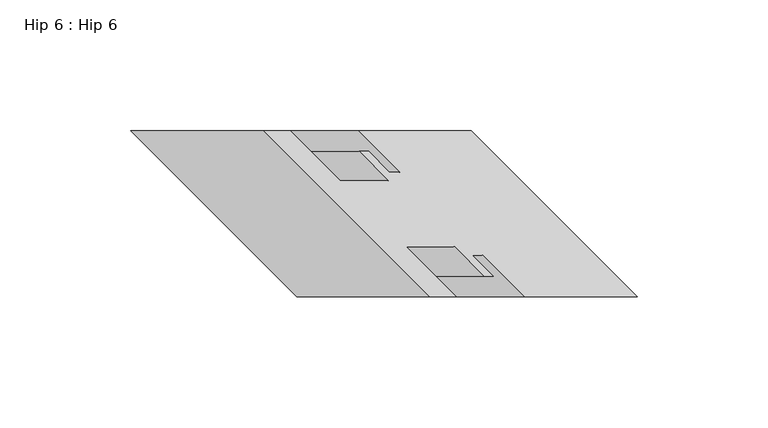
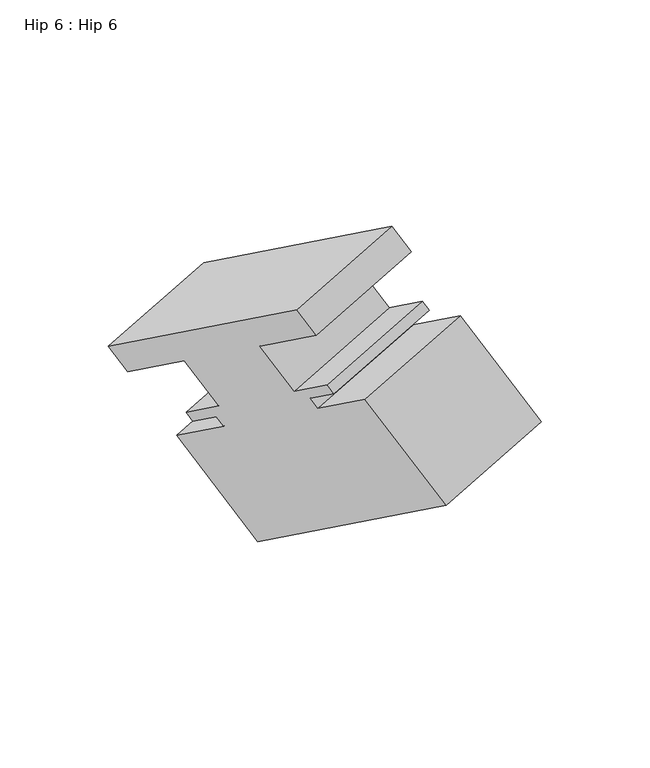
"""IFC4 building model written with IfcOpenShell, lengths in millimetres: proxy geometry, Hip 6 : Hip 6."""

import ifcopenshell
import ifcopenshell.guid

model = None  # the IFC model being written
_history = None  # IfcOwnerHistory: only IFC2X3 demands one
_inside = {}  # id of a spatial element -> (the spatial element, [elements in it])
_under = {}  # id of a project, library or spatial element -> (it, [spatial elements below it])
_declared = {}  # id of a project -> (the project, [libraries it declares])
_typed = {}  # id of a type object -> (the type object, [elements of that type])
_made_of = {}  # id of a material, layer set ... -> (it, [elements and type objects made of it])


def new_model(schema):
    """Start an empty IFC model of exactly this schema.

    Asked for "IFC4X3", IfcOpenShell would pick the latest addendum, in which some entities
    have other attributes; the version numbers below select the first issue.
    IFC2X3 requires an IfcOwnerHistory on every rooted entity: one is made here for all.
    """
    global model, _history
    if schema == "IFC4X3":
        model = ifcopenshell.file(schema_version=(4, 3, 0, 0))
    else:
        model = ifcopenshell.file(schema=schema)
    _inside.clear()
    _under.clear()
    _declared.clear()
    _typed.clear()
    _made_of.clear()
    _history = None
    if model.schema == "IFC2X3":
        org = make("IfcOrganization", Name="unknown")
        user = make(
            "IfcPersonAndOrganization",
            ThePerson=make("IfcPerson", FamilyName="unknown"),
            TheOrganization=org,
        )
        app = make(
            "IfcApplication",
            ApplicationDeveloper=org,
            Version="unknown",
            ApplicationFullName="unknown",
            ApplicationIdentifier="unknown",
        )
        _history = make(
            "IfcOwnerHistory",
            OwningUser=user,
            OwningApplication=app,
            ChangeAction="ADDED",
            CreationDate=0,
        )
    return model


def make(cls, **values):
    """One entity of the class cls with the attributes given. An attribute that is None is left unset."""
    return model.create_entity(
        cls, **{name: value for name, value in values.items() if value is not None}
    )


def rooted(cls, **values):
    """An entity with a GlobalId (a new one), such as an element, a storey or a relation."""
    return make(cls, GlobalId=ifcopenshell.guid.new(), OwnerHistory=_history, **values)


def si_unit(unit_type, name, prefix=None):
    """IfcSIUnit, for example si_unit("LENGTHUNIT", "METRE", prefix="MILLI")."""
    return make("IfcSIUnit", UnitType=unit_type, Prefix=prefix, Name=name)


def assignment(units):
    """IfcUnitAssignment: the units of a project."""
    return None if units is None else make("IfcUnitAssignment", Units=units)


def point(xyz):
    """IfcCartesianPoint."""
    return None if xyz is None else make("IfcCartesianPoint", Coordinates=xyz)


def direction(xyz):
    """IfcDirection."""
    return None if xyz is None else make("IfcDirection", DirectionRatios=xyz)


def frame(location, z_axis=None, x_axis=None):
    """IfcAxis2Placement3D, a coordinate frame: its origin and axes. An axis left out is left unset."""
    return make(
        "IfcAxis2Placement3D",
        Location=point(location),
        Axis=direction(z_axis),
        RefDirection=direction(x_axis),
    )


def origin():
    """The frame at (0, 0, 0) with its axes left unset."""
    return frame((0.0, 0.0, 0.0))


def place(relative_to, where):
    """IfcLocalPlacement: puts the frame where relative to a parent placement (None: the world)."""
    return make(
        "IfcLocalPlacement", PlacementRelTo=relative_to, RelativePlacement=where
    )


def context(
    kind, dimensions, precision=None, world=None, true_north=None, identifier=None
):
    """IfcGeometricRepresentationContext, for example the 3D "Model" context."""
    return make(
        "IfcGeometricRepresentationContext",
        ContextIdentifier=identifier,
        ContextType=kind,
        CoordinateSpaceDimension=dimensions,
        Precision=precision,
        WorldCoordinateSystem=world,
        TrueNorth=true_north,
    )


def project(units=None, contexts=None):
    """IfcProject with its units and contexts."""
    return rooted(
        "IfcProject",
        Name="project",
        RepresentationContexts=contexts,
        UnitsInContext=assignment(units),
    )


def spatial(cls, under=None, at=None, **own):
    """A site, building, storey or space (cls), placed at a placement, below another one or the project."""
    s = rooted(cls, ObjectPlacement=at, **own)
    if under is not None:
        _under.setdefault(under.id(), (under, []))[1].append(s)
    return s


def faces_of(points, faces, orient=None, outer=None):
    """IfcFace entities. A face is a list of loops; a loop is a list of indices into points, from 0.

    orient and outer hold one flag for each loop. By default every Orientation is true, the
    first loop of a face is its IfcFaceOuterBound and the others are IfcFaceBound.
    """
    made = []
    for i, loops in enumerate(faces):
        bounds = []
        for j, loop in enumerate(loops):
            is_outer = j == 0 if outer is None else outer[i][j]
            bounds.append(
                make(
                    "IfcFaceOuterBound" if is_outer else "IfcFaceBound",
                    Bound=make("IfcPolyLoop", Polygon=[points[k] for k in loop]),
                    Orientation=True if orient is None else orient[i][j],
                )
            )
        made.append(make("IfcFace", Bounds=bounds))
    return made


def faceted_brep(points, faces, orient=None, outer=None, voids=None):
    """IfcFacetedBrep: a solid bounded by flat faces; with voids (closed shells), ...WithVoids."""
    shared = [point(p) for p in points]
    hull = make("IfcClosedShell", CfsFaces=faces_of(shared, faces, orient, outer))
    if voids is None:
        return make("IfcFacetedBrep", Outer=hull)
    return make(
        "IfcFacetedBrepWithVoids",
        Outer=hull,
        Voids=[
            make(cls, CfsFaces=faces_of(shared, fs, o, b)) for cls, fs, o, b in voids
        ],
    )


def shape(context_of_items, identifier, shape_type, items):
    """IfcShapeRepresentation: the items that make up one representation, for example the "Body"."""
    return make(
        "IfcShapeRepresentation",
        ContextOfItems=context_of_items,
        RepresentationIdentifier=identifier,
        RepresentationType=shape_type,
        Items=items,
    )


def source(mapping_origin, context_of_items, identifier, shape_type, items):
    """IfcRepresentationMap: a shape defined once, which mapped items show again and again."""
    return make(
        "IfcRepresentationMap",
        MappingOrigin=mapping_origin,
        MappedRepresentation=shape(context_of_items, identifier, shape_type, items),
    )


def transform(
    local_origin,
    x_axis=None,
    y_axis=None,
    z_axis=None,
    scale=None,
    scale2=None,
    scale3=None,
    uniform=True,
):
    """IfcCartesianTransformationOperator3D, or its non-uniform kind. x_axis, y_axis, z_axis: its Axis1, 2, 3."""
    if uniform:
        return make(
            "IfcCartesianTransformationOperator3D",
            Axis1=direction(x_axis),
            Axis2=direction(y_axis),
            LocalOrigin=point(local_origin),
            Scale=scale,
            Axis3=direction(z_axis),
        )
    return make(
        "IfcCartesianTransformationOperator3DnonUniform",
        Axis1=direction(x_axis),
        Axis2=direction(y_axis),
        LocalOrigin=point(local_origin),
        Scale=scale,
        Axis3=direction(z_axis),
        Scale2=scale2,
        Scale3=scale3,
    )


def mapped(mapping_source, mapping_target):
    """IfcMappedItem: shows the shape of a source again, moved by a transform."""
    return make(
        "IfcMappedItem", MappingSource=mapping_source, MappingTarget=mapping_target
    )


def made_of(thing, what):
    """Note that an element or type object is made of a material, layer set ...; save() writes the relation."""
    if what is not None:
        _made_of.setdefault(what.id(), (what, []))[1].append(thing)
    return thing


def element(
    cls,
    number,
    at=None,
    inside=None,
    cuts=None,
    type_object=None,
    material=None,
    context=None,
    identifier="Body",
    shape_type=None,
    held_by="IfcProductDefinitionShape",
    body=None,
    shapes=None,
    **own,
):
    """One element of the class cls, such as IfcWall. Its Tag is "e" and its number.

    at: its placement. inside: the storey or other place that contains it. cuts: it is an
    opening in that element (IfcRelVoidsElement). A single representation is given by context,
    identifier, shape_type and body (its items); several are given by shapes. held_by: the class
    of the entity that holds the representations. save() writes the other relations.
    """
    e = rooted(cls, Tag="e%d" % number, ObjectPlacement=at, **own)
    if body is not None:
        shapes = [shape(context, identifier, shape_type, body)]
    if shapes is not None:
        e.Representation = make(held_by, Representations=shapes)
    if inside is not None:
        _inside.setdefault(inside.id(), (inside, []))[1].append(e)
    if cuts is not None:
        rooted(
            "IfcRelVoidsElement", RelatingBuildingElement=cuts, RelatedOpeningElement=e
        )
    if type_object is not None:
        _typed.setdefault(type_object.id(), (type_object, []))[1].append(e)
    return made_of(e, material)


def aggregate(whole, parts):
    """IfcRelAggregates: a whole, such as a stair, and the parts it consists of."""
    return rooted("IfcRelAggregates", RelatingObject=whole, RelatedObjects=parts)


def save(model, path):
    """Write the relations noted so far, then the file.

    IfcRelAggregates (storeys below a building ...), IfcRelContainedInSpatialStructure (elements
    in a storey), IfcRelDefinesByType, IfcRelAssociatesMaterial and IfcRelDeclares: one each for
    every whole, place, type object, material and project.
    """
    for whole, parts in _under.values():
        aggregate(whole, parts)
    for where, things in _inside.values():
        rooted(
            "IfcRelContainedInSpatialStructure",
            RelatedElements=things,
            RelatingStructure=where,
        )
    for kind, things in _typed.values():
        rooted("IfcRelDefinesByType", RelatedObjects=things, RelatingType=kind)
    for what, things in _made_of.values():
        rooted("IfcRelAssociatesMaterial", RelatedObjects=things, RelatingMaterial=what)
    for by, libraries in _declared.values():
        rooted("IfcRelDeclares", RelatingContext=by, RelatedDefinitions=libraries)
    model.write(path)


def hip_6_hip_6_baf59908(model_context):
    return source(origin(), model_context, "Body", "Brep", [
        faceted_brep([(-10878.1979707, 10983.8035481, 646.9132135), (-10928.8654512, 10983.8035481, 617.66033), (-10865.3654512, 10920.3035481, 654.3220721), (-10814.6979707, 10920.3035481, 683.5749555), (-10855.0467012, 10920.3035481, 636.4494728), (-10804.3792207, 10920.3035481, 665.7023563), (-10874.0776512, 10939.3535481, 625.4179546), (-10823.4101707, 10939.3535481, 654.6708381), (-10855.6995606, 10939.3535481, 593.5861679), (-10805.0320801, 10939.3535481, 622.8390514), (-10844.5743606, 10928.2283481, 600.0093051), (-10793.9068801, 10928.2283481, 629.2621886), (-10840.9433512, 10928.2283481, 593.7202124), (-10790.2758707, 10928.2283481, 622.9730959), (-10848.8935512, 10936.1785481, 589.1301623), (-10798.2260707, 10936.1785481, 618.3830458), (-10844.9438512, 10936.1785481, 582.2890812), (-10794.2763707, 10936.1785481, 611.5419647), (-10829.0688512, 10920.3035481, 591.4545167), (-10778.4013707, 10920.3035481, 620.7074002), (-10785.7999512, 10920.3035481, 516.5105835), (-10735.1324707, 10920.3035481, 545.763467), (-10849.2999512, 10983.8035481, 479.8488415), (-10798.6324707, 10983.8035481, 509.1017249), (-10892.5688512, 10983.8035481, 554.7927746), (-10841.9013707, 10983.8035481, 584.0456581), (-10876.6938512, 10967.9285481, 563.9582102), (-10826.0263707, 10967.9285481, 593.2110936), (-10880.6435512, 10967.9285481, 570.7992912), (-10829.9760707, 10967.9285481, 600.0521747), (-10888.5937512, 10975.8787481, 566.2092411), (-10837.9262707, 10975.8787481, 595.4621246), (-10892.1751512, 10975.8787481, 572.4124079), (-10841.5076707, 10975.8787481, 601.6652914), (-10881.0499512, 10964.7535481, 578.8355451), (-10830.3824707, 10964.7535481, 608.0884286), (-10899.4776512, 10964.7535481, 610.7532578), (-10848.8101707, 10964.7535481, 640.0061412), (-10918.5276512, 10983.8035481, 599.7547351), (-10867.8601707, 10983.8035481, 629.0076186)], [[[0, 1, 2, 3]], [[3, 2, 4, 5]], [[5, 4, 6, 7]], [[7, 6, 8, 9]], [[9, 8, 10, 11]], [[11, 10, 12, 13]], [[13, 12, 14, 15]], [[15, 14, 16, 17]], [[17, 16, 18, 19]], [[19, 18, 20, 21]], [[21, 20, 22, 23]], [[23, 22, 24, 25]], [[25, 24, 26, 27]], [[27, 26, 28, 29]], [[29, 28, 30, 31]], [[31, 30, 32, 33]], [[33, 32, 34, 35]], [[35, 34, 36, 37]], [[37, 36, 38, 39]], [[1, 0, 39, 38]], [[2, 1, 38, 36, 34, 32, 30, 28, 26, 24, 22, 20, 18, 16, 14, 12, 10, 8, 6, 4]], [[0, 3, 5, 7, 9, 11, 13, 15, 17, 19, 21, 23, 25, 27, 29, 31, 33, 35, 37, 39]]]),
    ])


if __name__ == "__main__":
    model = new_model("IFC4")
    model_context = context("Model", 3, world=origin())
    ifc_project = project(units=[si_unit("LENGTHUNIT", "METRE", prefix="MILLI")], contexts=[model_context])
    site = spatial("IfcSite", under=ifc_project)
    building = spatial("IfcBuilding", under=site)
    placement = place(None, origin())
    hip_6_hip_6_shape = hip_6_hip_6_baf59908(model_context)
    element("IfcBuildingElementProxy", 1, Name="Hip 6 : Hip 6", ObjectType="Hip 6 : Hip 6", at=placement, inside=building, context=model_context, shape_type="MappedRepresentation", body=[
        mapped(hip_6_hip_6_shape, transform((0.0, 0.0, 0.0), x_axis=(1.0, 0.0, 0.0), y_axis=(0.0, 1.0, 0.0), z_axis=(0.0, 0.0, 1.0))),
    ])
    save(model, "model.ifc")
